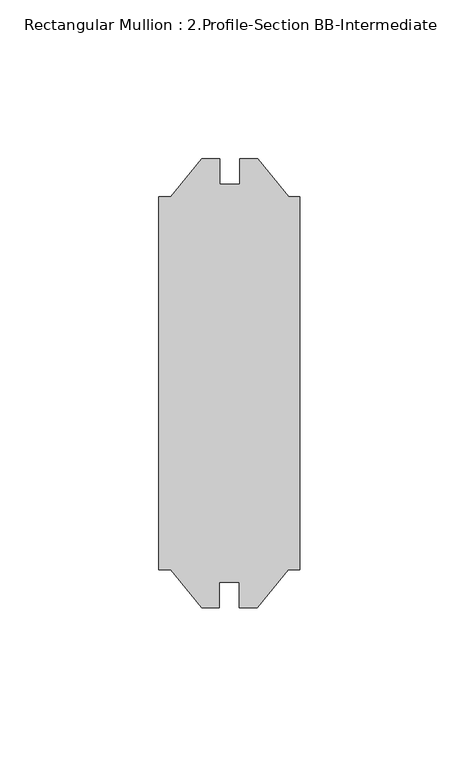
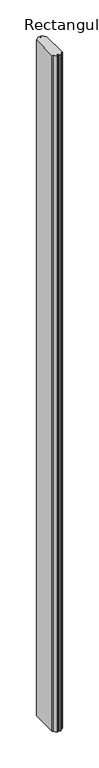
"""IFC4 building model written with IfcOpenShell, lengths in millimetres: member geometry, Rectangular Mullion : 2.Profile-Section BB-Intermediate."""

import ifcopenshell
import ifcopenshell.guid

model = None  # the IFC model being written
_history = None  # IfcOwnerHistory: only IFC2X3 demands one
_inside = {}  # id of a spatial element -> (the spatial element, [elements in it])
_under = {}  # id of a project, library or spatial element -> (it, [spatial elements below it])
_declared = {}  # id of a project -> (the project, [libraries it declares])
_typed = {}  # id of a type object -> (the type object, [elements of that type])
_made_of = {}  # id of a material, layer set ... -> (it, [elements and type objects made of it])


def new_model(schema):
    """Start an empty IFC model of exactly this schema.

    Asked for "IFC4X3", IfcOpenShell would pick the latest addendum, in which some entities
    have other attributes; the version numbers below select the first issue.
    IFC2X3 requires an IfcOwnerHistory on every rooted entity: one is made here for all.
    """
    global model, _history
    if schema == "IFC4X3":
        model = ifcopenshell.file(schema_version=(4, 3, 0, 0))
    else:
        model = ifcopenshell.file(schema=schema)
    _inside.clear()
    _under.clear()
    _declared.clear()
    _typed.clear()
    _made_of.clear()
    _history = None
    if model.schema == "IFC2X3":
        org = make("IfcOrganization", Name="unknown")
        user = make(
            "IfcPersonAndOrganization",
            ThePerson=make("IfcPerson", FamilyName="unknown"),
            TheOrganization=org,
        )
        app = make(
            "IfcApplication",
            ApplicationDeveloper=org,
            Version="unknown",
            ApplicationFullName="unknown",
            ApplicationIdentifier="unknown",
        )
        _history = make(
            "IfcOwnerHistory",
            OwningUser=user,
            OwningApplication=app,
            ChangeAction="ADDED",
            CreationDate=0,
        )
    return model


def make(cls, **values):
    """One entity of the class cls with the attributes given. An attribute that is None is left unset."""
    return model.create_entity(
        cls, **{name: value for name, value in values.items() if value is not None}
    )


def rooted(cls, **values):
    """An entity with a GlobalId (a new one), such as an element, a storey or a relation."""
    return make(cls, GlobalId=ifcopenshell.guid.new(), OwnerHistory=_history, **values)


def si_unit(unit_type, name, prefix=None):
    """IfcSIUnit, for example si_unit("LENGTHUNIT", "METRE", prefix="MILLI")."""
    return make("IfcSIUnit", UnitType=unit_type, Prefix=prefix, Name=name)


def assignment(units):
    """IfcUnitAssignment: the units of a project."""
    return None if units is None else make("IfcUnitAssignment", Units=units)


def point(xyz):
    """IfcCartesianPoint."""
    return None if xyz is None else make("IfcCartesianPoint", Coordinates=xyz)


def direction(xyz):
    """IfcDirection."""
    return None if xyz is None else make("IfcDirection", DirectionRatios=xyz)


def frame(location, z_axis=None, x_axis=None):
    """IfcAxis2Placement3D, a coordinate frame: its origin and axes. An axis left out is left unset."""
    return make(
        "IfcAxis2Placement3D",
        Location=point(location),
        Axis=direction(z_axis),
        RefDirection=direction(x_axis),
    )


def origin():
    """The frame at (0, 0, 0) with its axes left unset."""
    return frame((0.0, 0.0, 0.0))


def place(relative_to, where):
    """IfcLocalPlacement: puts the frame where relative to a parent placement (None: the world)."""
    return make(
        "IfcLocalPlacement", PlacementRelTo=relative_to, RelativePlacement=where
    )


def context(
    kind, dimensions, precision=None, world=None, true_north=None, identifier=None
):
    """IfcGeometricRepresentationContext, for example the 3D "Model" context."""
    return make(
        "IfcGeometricRepresentationContext",
        ContextIdentifier=identifier,
        ContextType=kind,
        CoordinateSpaceDimension=dimensions,
        Precision=precision,
        WorldCoordinateSystem=world,
        TrueNorth=true_north,
    )


def project(units=None, contexts=None):
    """IfcProject with its units and contexts."""
    return rooted(
        "IfcProject",
        Name="project",
        RepresentationContexts=contexts,
        UnitsInContext=assignment(units),
    )


def spatial(cls, under=None, at=None, **own):
    """A site, building, storey or space (cls), placed at a placement, below another one or the project."""
    s = rooted(cls, ObjectPlacement=at, **own)
    if under is not None:
        _under.setdefault(under.id(), (under, []))[1].append(s)
    return s


def polyline(points):
    """IfcPolyline through the points."""
    return make("IfcPolyline", Points=[point(p) for p in points])


def outline(outer, holes=None, kind="AREA"):
    """IfcArbitraryClosedProfileDef: a profile drawn as a closed curve; with holes, ...WithVoids."""
    if holes is None:
        return make("IfcArbitraryClosedProfileDef", ProfileType=kind, OuterCurve=outer)
    return make(
        "IfcArbitraryProfileDefWithVoids",
        ProfileType=kind,
        OuterCurve=outer,
        InnerCurves=holes,
    )


def extrude(swept, where, along, depth):
    """IfcExtrudedAreaSolid: the profile swept, set in the frame where, extruded along a direction by depth."""
    return make(
        "IfcExtrudedAreaSolid",
        SweptArea=swept,
        Position=where,
        ExtrudedDirection=direction(along),
        Depth=depth,
    )


def shape(context_of_items, identifier, shape_type, items):
    """IfcShapeRepresentation: the items that make up one representation, for example the "Body"."""
    return make(
        "IfcShapeRepresentation",
        ContextOfItems=context_of_items,
        RepresentationIdentifier=identifier,
        RepresentationType=shape_type,
        Items=items,
    )


def source(mapping_origin, context_of_items, identifier, shape_type, items):
    """IfcRepresentationMap: a shape defined once, which mapped items show again and again."""
    return make(
        "IfcRepresentationMap",
        MappingOrigin=mapping_origin,
        MappedRepresentation=shape(context_of_items, identifier, shape_type, items),
    )


def transform(
    local_origin,
    x_axis=None,
    y_axis=None,
    z_axis=None,
    scale=None,
    scale2=None,
    scale3=None,
    uniform=True,
):
    """IfcCartesianTransformationOperator3D, or its non-uniform kind. x_axis, y_axis, z_axis: its Axis1, 2, 3."""
    if uniform:
        return make(
            "IfcCartesianTransformationOperator3D",
            Axis1=direction(x_axis),
            Axis2=direction(y_axis),
            LocalOrigin=point(local_origin),
            Scale=scale,
            Axis3=direction(z_axis),
        )
    return make(
        "IfcCartesianTransformationOperator3DnonUniform",
        Axis1=direction(x_axis),
        Axis2=direction(y_axis),
        LocalOrigin=point(local_origin),
        Scale=scale,
        Axis3=direction(z_axis),
        Scale2=scale2,
        Scale3=scale3,
    )


def mapped(mapping_source, mapping_target):
    """IfcMappedItem: shows the shape of a source again, moved by a transform."""
    return make(
        "IfcMappedItem", MappingSource=mapping_source, MappingTarget=mapping_target
    )


def made_of(thing, what):
    """Note that an element or type object is made of a material, layer set ...; save() writes the relation."""
    if what is not None:
        _made_of.setdefault(what.id(), (what, []))[1].append(thing)
    return thing


def element(
    cls,
    number,
    at=None,
    inside=None,
    cuts=None,
    type_object=None,
    material=None,
    context=None,
    identifier="Body",
    shape_type=None,
    held_by="IfcProductDefinitionShape",
    body=None,
    shapes=None,
    **own,
):
    """One element of the class cls, such as IfcWall. Its Tag is "e" and its number.

    at: its placement. inside: the storey or other place that contains it. cuts: it is an
    opening in that element (IfcRelVoidsElement). A single representation is given by context,
    identifier, shape_type and body (its items); several are given by shapes. held_by: the class
    of the entity that holds the representations. save() writes the other relations.
    """
    e = rooted(cls, Tag="e%d" % number, ObjectPlacement=at, **own)
    if body is not None:
        shapes = [shape(context, identifier, shape_type, body)]
    if shapes is not None:
        e.Representation = make(held_by, Representations=shapes)
    if inside is not None:
        _inside.setdefault(inside.id(), (inside, []))[1].append(e)
    if cuts is not None:
        rooted(
            "IfcRelVoidsElement", RelatingBuildingElement=cuts, RelatedOpeningElement=e
        )
    if type_object is not None:
        _typed.setdefault(type_object.id(), (type_object, []))[1].append(e)
    return made_of(e, material)


def aggregate(whole, parts):
    """IfcRelAggregates: a whole, such as a stair, and the parts it consists of."""
    return rooted("IfcRelAggregates", RelatingObject=whole, RelatedObjects=parts)


def save(model, path):
    """Write the relations noted so far, then the file.

    IfcRelAggregates (storeys below a building ...), IfcRelContainedInSpatialStructure (elements
    in a storey), IfcRelDefinesByType, IfcRelAssociatesMaterial and IfcRelDeclares: one each for
    every whole, place, type object, material and project.
    """
    for whole, parts in _under.values():
        aggregate(whole, parts)
    for where, things in _inside.values():
        rooted(
            "IfcRelContainedInSpatialStructure",
            RelatedElements=things,
            RelatingStructure=where,
        )
    for kind, things in _typed.values():
        rooted("IfcRelDefinesByType", RelatedObjects=things, RelatingType=kind)
    for what, things in _made_of.values():
        rooted("IfcRelAssociatesMaterial", RelatedObjects=things, RelatingMaterial=what)
    for by, libraries in _declared.values():
        rooted("IfcRelDeclares", RelatingContext=by, RelatedDefinitions=libraries)
    model.write(path)


def rectangular_mullion_2_profile_section_bb_intermediate_7ef2248e(model_context):
    return source(origin(), model_context, "Body", "SweptSolid", [
        extrude(outline(polyline([(-44.45, 58.8946814), (-40.616836, 58.8946814), (-30.8483, 70.8009314), (-25.273, 70.8009314), (-25.273, 62.8570814), (-18.923, 62.8570814), (-18.923, 70.8009314), (-13.3477, 70.8009314), (-3.579164, 58.8946814), (0.0, 58.8946814), (0.0, -58.5739686), (-3.706164, -58.5739686), (-13.4747, -70.4802186), (-19.05, -70.4802186), (-19.05, -62.5363686), (-25.4, -62.5363686), (-25.4, -70.4802186), (-30.9753, -70.4802186), (-40.743836, -58.5739686), (-44.45, -58.5739686), (-44.45, 58.8946814)])), frame((0.0, 0.0, -3048.0), z_axis=(0.0, 0.0, 1.0), x_axis=(1.0, 0.0, 0.0)), (0.0, 0.0, 1.0), 3048.0),
    ])


if __name__ == "__main__":
    model = new_model("IFC4")
    model_context = context("Model", 3, world=origin())
    ifc_project = project(units=[si_unit("LENGTHUNIT", "METRE", prefix="MILLI")], contexts=[model_context])
    site = spatial("IfcSite", under=ifc_project)
    building = spatial("IfcBuilding", under=site)
    placement = place(None, origin())
    rectangular_mullion_2_profile_section_bb_intermediate_shape = rectangular_mullion_2_profile_section_bb_intermediate_7ef2248e(model_context)
    element("IfcMember", 1, ObjectType="Rectangular Mullion : 2.Profile-Section BB-Intermediate", at=placement, inside=building, context=model_context, shape_type="MappedRepresentation", body=[
        mapped(rectangular_mullion_2_profile_section_bb_intermediate_shape, transform((0.0, 0.0, 0.0), x_axis=(1.0, 0.0, 0.0), y_axis=(0.0, 1.0, 0.0), z_axis=(0.0, 0.0, 1.0))),
    ])
    save(model, "model.ifc")
